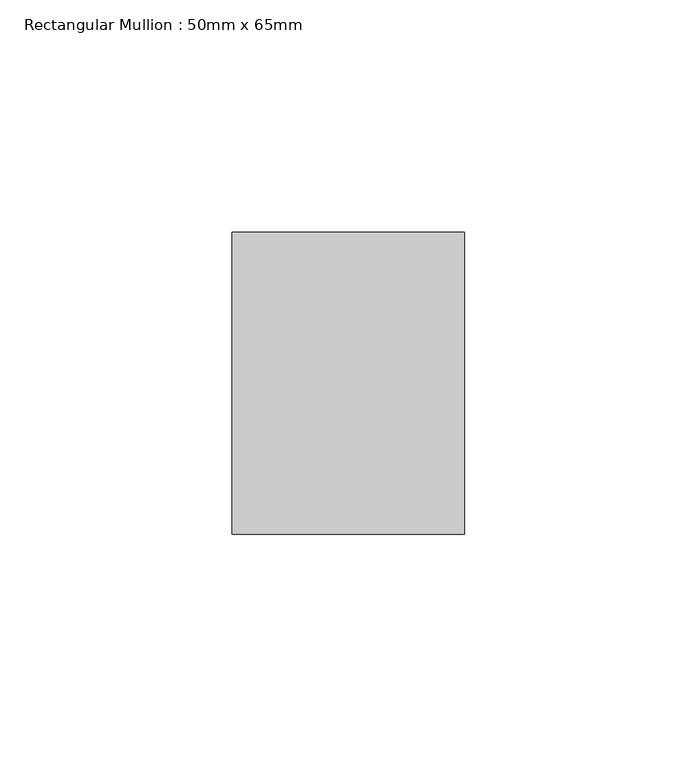
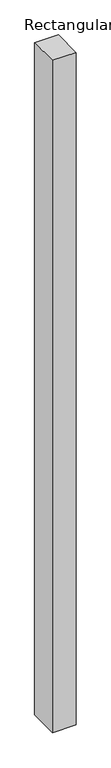
"""IFC4 building model written with IfcOpenShell, lengths in millimetres: member geometry, Rectangular Mullion : 50mm x 65mm."""

import ifcopenshell
import ifcopenshell.guid

model = None  # the IFC model being written
_history = None  # IfcOwnerHistory: only IFC2X3 demands one
_inside = {}  # id of a spatial element -> (the spatial element, [elements in it])
_under = {}  # id of a project, library or spatial element -> (it, [spatial elements below it])
_declared = {}  # id of a project -> (the project, [libraries it declares])
_typed = {}  # id of a type object -> (the type object, [elements of that type])
_made_of = {}  # id of a material, layer set ... -> (it, [elements and type objects made of it])


def new_model(schema):
    """Start an empty IFC model of exactly this schema.

    Asked for "IFC4X3", IfcOpenShell would pick the latest addendum, in which some entities
    have other attributes; the version numbers below select the first issue.
    IFC2X3 requires an IfcOwnerHistory on every rooted entity: one is made here for all.
    """
    global model, _history
    if schema == "IFC4X3":
        model = ifcopenshell.file(schema_version=(4, 3, 0, 0))
    else:
        model = ifcopenshell.file(schema=schema)
    _inside.clear()
    _under.clear()
    _declared.clear()
    _typed.clear()
    _made_of.clear()
    _history = None
    if model.schema == "IFC2X3":
        org = make("IfcOrganization", Name="unknown")
        user = make(
            "IfcPersonAndOrganization",
            ThePerson=make("IfcPerson", FamilyName="unknown"),
            TheOrganization=org,
        )
        app = make(
            "IfcApplication",
            ApplicationDeveloper=org,
            Version="unknown",
            ApplicationFullName="unknown",
            ApplicationIdentifier="unknown",
        )
        _history = make(
            "IfcOwnerHistory",
            OwningUser=user,
            OwningApplication=app,
            ChangeAction="ADDED",
            CreationDate=0,
        )
    return model


def make(cls, **values):
    """One entity of the class cls with the attributes given. An attribute that is None is left unset."""
    return model.create_entity(
        cls, **{name: value for name, value in values.items() if value is not None}
    )


def rooted(cls, **values):
    """An entity with a GlobalId (a new one), such as an element, a storey or a relation."""
    return make(cls, GlobalId=ifcopenshell.guid.new(), OwnerHistory=_history, **values)


def si_unit(unit_type, name, prefix=None):
    """IfcSIUnit, for example si_unit("LENGTHUNIT", "METRE", prefix="MILLI")."""
    return make("IfcSIUnit", UnitType=unit_type, Prefix=prefix, Name=name)


def assignment(units):
    """IfcUnitAssignment: the units of a project."""
    return None if units is None else make("IfcUnitAssignment", Units=units)


def point(xyz):
    """IfcCartesianPoint."""
    return None if xyz is None else make("IfcCartesianPoint", Coordinates=xyz)


def direction(xyz):
    """IfcDirection."""
    return None if xyz is None else make("IfcDirection", DirectionRatios=xyz)


def frame(location, z_axis=None, x_axis=None):
    """IfcAxis2Placement3D, a coordinate frame: its origin and axes. An axis left out is left unset."""
    return make(
        "IfcAxis2Placement3D",
        Location=point(location),
        Axis=direction(z_axis),
        RefDirection=direction(x_axis),
    )


def origin():
    """The frame at (0, 0, 0) with its axes left unset."""
    return frame((0.0, 0.0, 0.0))


def place(relative_to, where):
    """IfcLocalPlacement: puts the frame where relative to a parent placement (None: the world)."""
    return make(
        "IfcLocalPlacement", PlacementRelTo=relative_to, RelativePlacement=where
    )


def context(
    kind, dimensions, precision=None, world=None, true_north=None, identifier=None
):
    """IfcGeometricRepresentationContext, for example the 3D "Model" context."""
    return make(
        "IfcGeometricRepresentationContext",
        ContextIdentifier=identifier,
        ContextType=kind,
        CoordinateSpaceDimension=dimensions,
        Precision=precision,
        WorldCoordinateSystem=world,
        TrueNorth=true_north,
    )


def project(units=None, contexts=None):
    """IfcProject with its units and contexts."""
    return rooted(
        "IfcProject",
        Name="project",
        RepresentationContexts=contexts,
        UnitsInContext=assignment(units),
    )


def spatial(cls, under=None, at=None, **own):
    """A site, building, storey or space (cls), placed at a placement, below another one or the project."""
    s = rooted(cls, ObjectPlacement=at, **own)
    if under is not None:
        _under.setdefault(under.id(), (under, []))[1].append(s)
    return s


def faces_of(points, faces, orient=None, outer=None):
    """IfcFace entities. A face is a list of loops; a loop is a list of indices into points, from 0.

    orient and outer hold one flag for each loop. By default every Orientation is true, the
    first loop of a face is its IfcFaceOuterBound and the others are IfcFaceBound.
    """
    made = []
    for i, loops in enumerate(faces):
        bounds = []
        for j, loop in enumerate(loops):
            is_outer = j == 0 if outer is None else outer[i][j]
            bounds.append(
                make(
                    "IfcFaceOuterBound" if is_outer else "IfcFaceBound",
                    Bound=make("IfcPolyLoop", Polygon=[points[k] for k in loop]),
                    Orientation=True if orient is None else orient[i][j],
                )
            )
        made.append(make("IfcFace", Bounds=bounds))
    return made


def faceted_brep(points, faces, orient=None, outer=None, voids=None):
    """IfcFacetedBrep: a solid bounded by flat faces; with voids (closed shells), ...WithVoids."""
    shared = [point(p) for p in points]
    hull = make("IfcClosedShell", CfsFaces=faces_of(shared, faces, orient, outer))
    if voids is None:
        return make("IfcFacetedBrep", Outer=hull)
    return make(
        "IfcFacetedBrepWithVoids",
        Outer=hull,
        Voids=[
            make(cls, CfsFaces=faces_of(shared, fs, o, b)) for cls, fs, o, b in voids
        ],
    )


def shape(context_of_items, identifier, shape_type, items):
    """IfcShapeRepresentation: the items that make up one representation, for example the "Body"."""
    return make(
        "IfcShapeRepresentation",
        ContextOfItems=context_of_items,
        RepresentationIdentifier=identifier,
        RepresentationType=shape_type,
        Items=items,
    )


def source(mapping_origin, context_of_items, identifier, shape_type, items):
    """IfcRepresentationMap: a shape defined once, which mapped items show again and again."""
    return make(
        "IfcRepresentationMap",
        MappingOrigin=mapping_origin,
        MappedRepresentation=shape(context_of_items, identifier, shape_type, items),
    )


def transform(
    local_origin,
    x_axis=None,
    y_axis=None,
    z_axis=None,
    scale=None,
    scale2=None,
    scale3=None,
    uniform=True,
):
    """IfcCartesianTransformationOperator3D, or its non-uniform kind. x_axis, y_axis, z_axis: its Axis1, 2, 3."""
    if uniform:
        return make(
            "IfcCartesianTransformationOperator3D",
            Axis1=direction(x_axis),
            Axis2=direction(y_axis),
            LocalOrigin=point(local_origin),
            Scale=scale,
            Axis3=direction(z_axis),
        )
    return make(
        "IfcCartesianTransformationOperator3DnonUniform",
        Axis1=direction(x_axis),
        Axis2=direction(y_axis),
        LocalOrigin=point(local_origin),
        Scale=scale,
        Axis3=direction(z_axis),
        Scale2=scale2,
        Scale3=scale3,
    )


def mapped(mapping_source, mapping_target):
    """IfcMappedItem: shows the shape of a source again, moved by a transform."""
    return make(
        "IfcMappedItem", MappingSource=mapping_source, MappingTarget=mapping_target
    )


def made_of(thing, what):
    """Note that an element or type object is made of a material, layer set ...; save() writes the relation."""
    if what is not None:
        _made_of.setdefault(what.id(), (what, []))[1].append(thing)
    return thing


def element(
    cls,
    number,
    at=None,
    inside=None,
    cuts=None,
    type_object=None,
    material=None,
    context=None,
    identifier="Body",
    shape_type=None,
    held_by="IfcProductDefinitionShape",
    body=None,
    shapes=None,
    **own,
):
    """One element of the class cls, such as IfcWall. Its Tag is "e" and its number.

    at: its placement. inside: the storey or other place that contains it. cuts: it is an
    opening in that element (IfcRelVoidsElement). A single representation is given by context,
    identifier, shape_type and body (its items); several are given by shapes. held_by: the class
    of the entity that holds the representations. save() writes the other relations.
    """
    e = rooted(cls, Tag="e%d" % number, ObjectPlacement=at, **own)
    if body is not None:
        shapes = [shape(context, identifier, shape_type, body)]
    if shapes is not None:
        e.Representation = make(held_by, Representations=shapes)
    if inside is not None:
        _inside.setdefault(inside.id(), (inside, []))[1].append(e)
    if cuts is not None:
        rooted(
            "IfcRelVoidsElement", RelatingBuildingElement=cuts, RelatedOpeningElement=e
        )
    if type_object is not None:
        _typed.setdefault(type_object.id(), (type_object, []))[1].append(e)
    return made_of(e, material)


def aggregate(whole, parts):
    """IfcRelAggregates: a whole, such as a stair, and the parts it consists of."""
    return rooted("IfcRelAggregates", RelatingObject=whole, RelatedObjects=parts)


def save(model, path):
    """Write the relations noted so far, then the file.

    IfcRelAggregates (storeys below a building ...), IfcRelContainedInSpatialStructure (elements
    in a storey), IfcRelDefinesByType, IfcRelAssociatesMaterial and IfcRelDeclares: one each for
    every whole, place, type object, material and project.
    """
    for whole, parts in _under.values():
        aggregate(whole, parts)
    for where, things in _inside.values():
        rooted(
            "IfcRelContainedInSpatialStructure",
            RelatedElements=things,
            RelatingStructure=where,
        )
    for kind, things in _typed.values():
        rooted("IfcRelDefinesByType", RelatedObjects=things, RelatingType=kind)
    for what, things in _made_of.values():
        rooted("IfcRelAssociatesMaterial", RelatedObjects=things, RelatingMaterial=what)
    for by, libraries in _declared.values():
        rooted("IfcRelDeclares", RelatingContext=by, RelatedDefinitions=libraries)
    model.write(path)


def rectangular_mullion_50mm_x_65mm_74f644b4(model_context):
    return source(origin(), model_context, "Body", "Brep", [
        faceted_brep([(-25.0, 32.5, -0.0980884), (25.0, 32.5, -0.0980876), (25.0, 32.5, -1499.8164656), (-25.0, 32.5, -1499.8164642), (-25.0, -32.5, 0.0980876), (-25.0, -32.5, -1500.1836074), (25.0, -32.5, 0.0980884), (25.0, -32.5, -1500.1836087)], [[[0, 1, 2, 3]], [[4, 0, 3, 5]], [[6, 4, 5, 7]], [[1, 6, 7, 2]], [[1, 0, 4, 6]], [[2, 7, 5, 3]]]),
    ])


if __name__ == "__main__":
    model = new_model("IFC4")
    model_context = context("Model", 3, world=origin())
    ifc_project = project(units=[si_unit("LENGTHUNIT", "METRE", prefix="MILLI")], contexts=[model_context])
    site = spatial("IfcSite", under=ifc_project)
    building = spatial("IfcBuilding", under=site)
    placement = place(None, origin())
    rectangular_mullion_50mm_x_65mm_shape = rectangular_mullion_50mm_x_65mm_74f644b4(model_context)
    element("IfcMember", 1, ObjectType="Rectangular Mullion : 50mm x 65mm", at=placement, inside=building, context=model_context, shape_type="MappedRepresentation", body=[
        mapped(rectangular_mullion_50mm_x_65mm_shape, transform((0.0, 0.0, 0.0), x_axis=(1.0, 0.0, 0.0), y_axis=(0.0, 1.0, 0.0), z_axis=(0.0, 0.0, 1.0))),
    ])
    save(model, "model.ifc")
